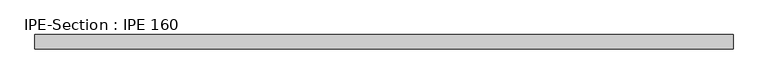
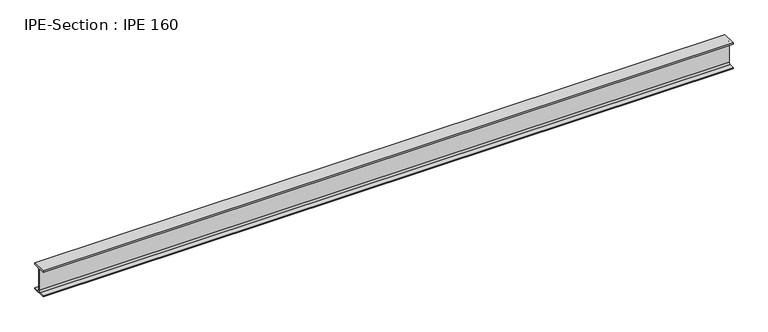
"""IFC4 building model written with IfcOpenShell, lengths in millimetres: beam geometry, IPE-Section : IPE 160."""

from ifc_helpers import new_model, si_unit, point, frame, frame_2d, origin, place, context, project, spatial, polyline, circle_curve, trimmed, segment, composite_curve, outline, extrude, source, transform, mapped, element, save


def ipe_section_ipe_160_01956983(model_context):
    return source(origin(), model_context, "Body", "SweptSolid", [
        extrude(outline(composite_curve([segment(polyline([(-41.0, -72.6), (-11.5, -72.6)]), True, "CONTINUOUS"), segment(trimmed(circle_curve(frame_2d((-11.5, -63.6)), 9.0), [point((-11.5, -72.6))], [point((-2.5, -63.6))], True, "CARTESIAN"), True, "CONTINUOUS"), segment(polyline([(-2.5, -63.6), (-2.5, 63.6)]), True, "CONTINUOUS"), segment(trimmed(circle_curve(frame_2d((-11.5, 63.6)), 9.0), [point((-2.5, 63.6))], [point((-11.5, 72.6))], True, "CARTESIAN"), True, "CONTINUOUS"), segment(polyline([(-11.5, 72.6), (-41.0, 72.6), (-41.0, 80.0), (41.0, 80.0), (41.0, 72.6), (11.5, 72.6)]), True, "CONTINUOUS"), segment(trimmed(circle_curve(frame_2d((11.5, 63.6)), 9.0), [point((11.5, 72.6))], [point((2.5, 63.6))], True, "CARTESIAN"), True, "CONTINUOUS"), segment(polyline([(2.5, 63.6), (2.5, -63.6)]), True, "CONTINUOUS"), segment(trimmed(circle_curve(frame_2d((11.5, -63.6)), 9.0), [point((2.5, -63.6))], [point((11.5, -72.6))], True, "CARTESIAN"), True, "CONTINUOUS"), segment(polyline([(11.5, -72.6), (41.0, -72.6), (41.0, -80.0), (-41.0, -80.0), (-41.0, -72.6)]), True, "CONTINUOUS")], self_intersect=False)), frame((-2029.5129503, 0.0, 0.0), z_axis=(1.0, 0.0, 0.0), x_axis=(0.0, 1.0, 0.0)), (0.0, 0.0, 1.0), 4034.0259006),
    ])


if __name__ == "__main__":
    model = new_model("IFC4")
    model_context = context("Model", 3, world=origin())
    ifc_project = project(units=[si_unit("LENGTHUNIT", "METRE", prefix="MILLI")], contexts=[model_context])
    site = spatial("IfcSite", under=ifc_project)
    building = spatial("IfcBuilding", under=site)
    placement = place(None, origin())
    ipe_section_ipe_160_shape = ipe_section_ipe_160_01956983(model_context)
    element("IfcBeam", 1, ObjectType="IPE-Section : IPE 160", at=placement, inside=building, context=model_context, shape_type="MappedRepresentation", body=[
        mapped(ipe_section_ipe_160_shape, transform((0.0, 0.0, 0.0), x_axis=(1.0, 0.0, 0.0), y_axis=(0.0, 1.0, 0.0), z_axis=(0.0, 0.0, 1.0))),
    ])
    save(model, "model.ifc")
